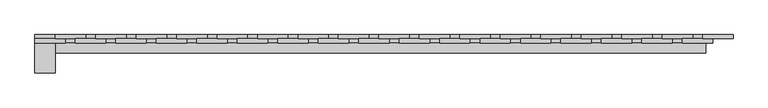
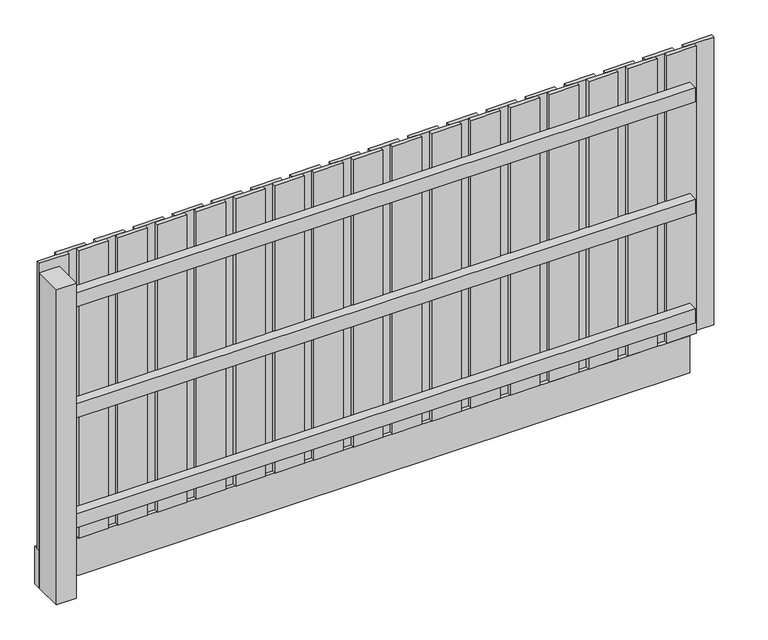
"""IFC4 building model written with IfcOpenShell, lengths in millimetres: geographic element geometry."""

from ifc_helpers import new_model, si_unit, frame, origin, origin_with_axes, place, context, project, spatial, polyline, outline, extrude, source, transform, mapped, element, save


def geographic_element_e3dd9c52(model_context):
    return source(origin(), model_context, "Body", "SweptSolid", [
        extrude(outline(polyline([(3450.6871344, 20.0), (3300.3435672, 20.0), (3300.3435672, 40.0), (3450.6871344, 40.0), (3450.6871344, 20.0)])), frame((0.0, 0.0, 200.0), z_axis=(0.0, 0.0, 1.0), x_axis=(1.0, 0.0, 0.0)), (0.0, 0.0, 1.0), 1550.0),
        extrude(outline(polyline([(3350.3435672, 0.0), (3200.0, 0.0), (3200.0, 20.0), (3350.3435672, 20.0), (3350.3435672, 0.0)])), frame((0.0, 0.0, 200.0), z_axis=(0.0, 0.0, 1.0), x_axis=(1.0, 0.0, 0.0)), (0.0, 0.0, 1.0), 1550.0),
        extrude(outline(polyline([(3250.6871344, 20.0), (3100.3435672, 20.0), (3100.3435672, 40.0), (3250.6871344, 40.0), (3250.6871344, 20.0)])), frame((0.0, 0.0, 200.0), z_axis=(0.0, 0.0, 1.0), x_axis=(1.0, 0.0, 0.0)), (0.0, 0.0, 1.0), 1550.0),
        extrude(outline(polyline([(3150.3435672, 0.0), (3000.0, 0.0), (3000.0, 20.0), (3150.3435672, 20.0), (3150.3435672, 0.0)])), frame((0.0, 0.0, 200.0), z_axis=(0.0, 0.0, 1.0), x_axis=(1.0, 0.0, 0.0)), (0.0, 0.0, 1.0), 1550.0),
        extrude(outline(polyline([(3050.6871344, 20.0), (2900.3435672, 20.0), (2900.3435672, 40.0), (3050.6871344, 40.0), (3050.6871344, 20.0)])), frame((0.0, 0.0, 200.0), z_axis=(0.0, 0.0, 1.0), x_axis=(1.0, 0.0, 0.0)), (0.0, 0.0, 1.0), 1550.0),
        extrude(outline(polyline([(2950.3435672, 0.0), (2800.0, 0.0), (2800.0, 20.0), (2950.3435672, 20.0), (2950.3435672, 0.0)])), frame((0.0, 0.0, 200.0), z_axis=(0.0, 0.0, 1.0), x_axis=(1.0, 0.0, 0.0)), (0.0, 0.0, 1.0), 1550.0),
        extrude(outline(polyline([(2850.6871344, 20.0), (2700.3435672, 20.0), (2700.3435672, 40.0), (2850.6871344, 40.0), (2850.6871344, 20.0)])), frame((0.0, 0.0, 200.0), z_axis=(0.0, 0.0, 1.0), x_axis=(1.0, 0.0, 0.0)), (0.0, 0.0, 1.0), 1550.0),
        extrude(outline(polyline([(2750.3435672, 0.0), (2600.0, 0.0), (2600.0, 20.0), (2750.3435672, 20.0), (2750.3435672, 0.0)])), frame((0.0, 0.0, 200.0), z_axis=(0.0, 0.0, 1.0), x_axis=(1.0, 0.0, 0.0)), (0.0, 0.0, 1.0), 1550.0),
        extrude(outline(polyline([(2650.6871344, 20.0), (2500.3435672, 20.0), (2500.3435672, 40.0), (2650.6871344, 40.0), (2650.6871344, 20.0)])), frame((0.0, 0.0, 200.0), z_axis=(0.0, 0.0, 1.0), x_axis=(1.0, 0.0, 0.0)), (0.0, 0.0, 1.0), 1550.0),
        extrude(outline(polyline([(2550.3435672, 0.0), (2400.0, 0.0), (2400.0, 20.0), (2550.3435672, 20.0), (2550.3435672, 0.0)])), frame((0.0, 0.0, 200.0), z_axis=(0.0, 0.0, 1.0), x_axis=(1.0, 0.0, 0.0)), (0.0, 0.0, 1.0), 1550.0),
        extrude(outline(polyline([(2450.6871344, 20.0), (2300.3435672, 20.0), (2300.3435672, 40.0), (2450.6871344, 40.0), (2450.6871344, 20.0)])), frame((0.0, 0.0, 200.0), z_axis=(0.0, 0.0, 1.0), x_axis=(1.0, 0.0, 0.0)), (0.0, 0.0, 1.0), 1550.0),
        extrude(outline(polyline([(2350.3435672, 0.0), (2200.0, 0.0), (2200.0, 20.0), (2350.3435672, 20.0), (2350.3435672, 0.0)])), frame((0.0, 0.0, 200.0), z_axis=(0.0, 0.0, 1.0), x_axis=(1.0, 0.0, 0.0)), (0.0, 0.0, 1.0), 1550.0),
        extrude(outline(polyline([(2250.6871344, 20.0), (2100.3435672, 20.0), (2100.3435672, 40.0), (2250.6871344, 40.0), (2250.6871344, 20.0)])), frame((0.0, 0.0, 200.0), z_axis=(0.0, 0.0, 1.0), x_axis=(1.0, 0.0, 0.0)), (0.0, 0.0, 1.0), 1550.0),
        extrude(outline(polyline([(2150.3435672, 0.0), (2000.0, 0.0), (2000.0, 20.0), (2150.3435672, 20.0), (2150.3435672, 0.0)])), frame((0.0, 0.0, 200.0), z_axis=(0.0, 0.0, 1.0), x_axis=(1.0, 0.0, 0.0)), (0.0, 0.0, 1.0), 1550.0),
        extrude(outline(polyline([(2050.6871344, 20.0), (1900.3435672, 20.0), (1900.3435672, 40.0), (2050.6871344, 40.0), (2050.6871344, 20.0)])), frame((0.0, 0.0, 200.0), z_axis=(0.0, 0.0, 1.0), x_axis=(1.0, 0.0, 0.0)), (0.0, 0.0, 1.0), 1550.0),
        extrude(outline(polyline([(1950.3435672, 0.0), (1800.0, 0.0), (1800.0, 20.0), (1950.3435672, 20.0), (1950.3435672, 0.0)])), frame((0.0, 0.0, 200.0), z_axis=(0.0, 0.0, 1.0), x_axis=(1.0, 0.0, 0.0)), (0.0, 0.0, 1.0), 1550.0),
        extrude(outline(polyline([(1850.6871344, 20.0), (1700.3435672, 20.0), (1700.3435672, 40.0), (1850.6871344, 40.0), (1850.6871344, 20.0)])), frame((0.0, 0.0, 200.0), z_axis=(0.0, 0.0, 1.0), x_axis=(1.0, 0.0, 0.0)), (0.0, 0.0, 1.0), 1550.0),
        extrude(outline(polyline([(1750.3435672, 0.0), (1600.0, 0.0), (1600.0, 20.0), (1750.3435672, 20.0), (1750.3435672, 0.0)])), frame((0.0, 0.0, 200.0), z_axis=(0.0, 0.0, 1.0), x_axis=(1.0, 0.0, 0.0)), (0.0, 0.0, 1.0), 1550.0),
        extrude(outline(polyline([(1650.6871344, 20.0), (1500.3435672, 20.0), (1500.3435672, 40.0), (1650.6871344, 40.0), (1650.6871344, 20.0)])), frame((0.0, 0.0, 200.0), z_axis=(0.0, 0.0, 1.0), x_axis=(1.0, 0.0, 0.0)), (0.0, 0.0, 1.0), 1550.0),
        extrude(outline(polyline([(1550.3435672, 0.0), (1400.0, 0.0), (1400.0, 20.0), (1550.3435672, 20.0), (1550.3435672, 0.0)])), frame((0.0, 0.0, 200.0), z_axis=(0.0, 0.0, 1.0), x_axis=(1.0, 0.0, 0.0)), (0.0, 0.0, 1.0), 1550.0),
        extrude(outline(polyline([(1450.6871344, 20.0), (1300.3435672, 20.0), (1300.3435672, 40.0), (1450.6871344, 40.0), (1450.6871344, 20.0)])), frame((0.0, 0.0, 200.0), z_axis=(0.0, 0.0, 1.0), x_axis=(1.0, 0.0, 0.0)), (0.0, 0.0, 1.0), 1550.0),
        extrude(outline(polyline([(1350.3435672, 0.0), (1200.0, 0.0), (1200.0, 20.0), (1350.3435672, 20.0), (1350.3435672, 0.0)])), frame((0.0, 0.0, 200.0), z_axis=(0.0, 0.0, 1.0), x_axis=(1.0, 0.0, 0.0)), (0.0, 0.0, 1.0), 1550.0),
        extrude(outline(polyline([(1250.6871344, 20.0), (1100.3435672, 20.0), (1100.3435672, 40.0), (1250.6871344, 40.0), (1250.6871344, 20.0)])), frame((0.0, 0.0, 200.0), z_axis=(0.0, 0.0, 1.0), x_axis=(1.0, 0.0, 0.0)), (0.0, 0.0, 1.0), 1550.0),
        extrude(outline(polyline([(1150.3435672, 0.0), (1000.0, 0.0), (1000.0, 20.0), (1150.3435672, 20.0), (1150.3435672, 0.0)])), frame((0.0, 0.0, 200.0), z_axis=(0.0, 0.0, 1.0), x_axis=(1.0, 0.0, 0.0)), (0.0, 0.0, 1.0), 1550.0),
        extrude(outline(polyline([(1050.6871344, 20.0), (900.3435672, 20.0), (900.3435672, 40.0), (1050.6871344, 40.0), (1050.6871344, 20.0)])), frame((0.0, 0.0, 200.0), z_axis=(0.0, 0.0, 1.0), x_axis=(1.0, 0.0, 0.0)), (0.0, 0.0, 1.0), 1550.0),
        extrude(outline(polyline([(950.3435672, 0.0), (800.0, 0.0), (800.0, 20.0), (950.3435672, 20.0), (950.3435672, 0.0)])), frame((0.0, 0.0, 200.0), z_axis=(0.0, 0.0, 1.0), x_axis=(1.0, 0.0, 0.0)), (0.0, 0.0, 1.0), 1550.0),
        extrude(outline(polyline([(850.6871344, 20.0), (700.3435672, 20.0), (700.3435672, 40.0), (850.6871344, 40.0), (850.6871344, 20.0)])), frame((0.0, 0.0, 200.0), z_axis=(0.0, 0.0, 1.0), x_axis=(1.0, 0.0, 0.0)), (0.0, 0.0, 1.0), 1550.0),
        extrude(outline(polyline([(750.3435672, 0.0), (600.0, 0.0), (600.0, 20.0), (750.3435672, 20.0), (750.3435672, 0.0)])), frame((0.0, 0.0, 200.0), z_axis=(0.0, 0.0, 1.0), x_axis=(1.0, 0.0, 0.0)), (0.0, 0.0, 1.0), 1550.0),
        extrude(outline(polyline([(650.6871344, 20.0), (500.3435672, 20.0), (500.3435672, 40.0), (650.6871344, 40.0), (650.6871344, 20.0)])), frame((0.0, 0.0, 200.0), z_axis=(0.0, 0.0, 1.0), x_axis=(1.0, 0.0, 0.0)), (0.0, 0.0, 1.0), 1550.0),
        extrude(outline(polyline([(550.3435672, 0.0), (400.0, 0.0), (400.0, 20.0), (550.3435672, 20.0), (550.3435672, 0.0)])), frame((0.0, 0.0, 200.0), z_axis=(0.0, 0.0, 1.0), x_axis=(1.0, 0.0, 0.0)), (0.0, 0.0, 1.0), 1550.0),
        extrude(outline(polyline([(450.6871344, 20.0), (300.3435672, 20.0), (300.3435672, 40.0), (450.6871344, 40.0), (450.6871344, 20.0)])), frame((0.0, 0.0, 200.0), z_axis=(0.0, 0.0, 1.0), x_axis=(1.0, 0.0, 0.0)), (0.0, 0.0, 1.0), 1550.0),
        extrude(outline(polyline([(350.3435672, 0.0), (200.0, 0.0), (200.0, 20.0), (350.3435672, 20.0), (350.3435672, 0.0)])), frame((0.0, 0.0, 200.0), z_axis=(0.0, 0.0, 1.0), x_axis=(1.0, 0.0, 0.0)), (0.0, 0.0, 1.0), 1550.0),
        extrude(outline(polyline([(250.6871344, 20.0), (100.3435672, 20.0), (100.3435672, 40.0), (250.6871344, 40.0), (250.6871344, 20.0)])), frame((0.0, 0.0, 200.0), z_axis=(0.0, 0.0, 1.0), x_axis=(1.0, 0.0, 0.0)), (0.0, 0.0, 1.0), 1550.0),
        extrude(outline(polyline([(150.3435672, 0.0), (0.0, 0.0), (0.0, 20.0), (150.3435672, 20.0), (150.3435672, 0.0)])), frame((0.0, 0.0, 200.0), z_axis=(0.0, 0.0, 1.0), x_axis=(1.0, 0.0, 0.0)), (0.0, 0.0, 1.0), 1550.0),
        extrude(outline(polyline([(100.0, 0.0), (100.0, -150.0), (0.0, -150.0), (0.0, 0.0), (100.0, 0.0)])), origin_with_axes(), (0.0, 0.0, 1.0), 1700.0),
        extrude(outline(polyline([(3316.0, 40.0), (3316.0, 0.0), (0.0, 0.0), (0.0, 40.0), (3316.0, 40.0)])), origin_with_axes(), (0.0, 0.0, 1.0), 200.0),
        extrude(outline(polyline([(3316.0, 0.0), (3316.0, -50.0), (100.0, -50.0), (100.0, 0.0), (3316.0, 0.0)])), frame((0.0, 0.0, 891.4749271), z_axis=(0.0, 0.0, 1.0), x_axis=(1.0, 0.0, 0.0)), (0.0, 0.0, 1.0), 75.0),
        extrude(outline(polyline([(3316.0, 0.0), (3316.0, -50.0), (100.0, -50.0), (100.0, 0.0), (3316.0, 0.0)])), frame((0.0, 0.0, 1491.4749271), z_axis=(0.0, 0.0, 1.0), x_axis=(1.0, 0.0, 0.0)), (0.0, 0.0, 1.0), 75.0),
        extrude(outline(polyline([(3316.0, 0.0), (3316.0, -50.0), (100.0, -50.0), (100.0, 0.0), (3316.0, 0.0)])), frame((0.0, 0.0, 300.0), z_axis=(0.0, 0.0, 1.0), x_axis=(1.0, 0.0, 0.0)), (0.0, 0.0, 1.0), 75.0),
    ])


if __name__ == "__main__":
    model = new_model("IFC4")
    model_context = context("Model", 3, world=origin())
    ifc_project = project(units=[si_unit("LENGTHUNIT", "METRE", prefix="MILLI")], contexts=[model_context])
    site = spatial("IfcSite", under=ifc_project)
    building = spatial("IfcBuilding", under=site)
    placement = place(None, origin())
    geographic_element_shape = geographic_element_e3dd9c52(model_context)
    element("IfcGeographicElement", 1, at=placement, inside=building, context=model_context, shape_type="MappedRepresentation", body=[
        mapped(geographic_element_shape, transform((0.0, 0.0, 0.0), x_axis=(1.0, 0.0, 0.0), y_axis=(0.0, 1.0, 0.0), z_axis=(0.0, 0.0, 1.0))),
    ])
    save(model, "model.ifc")
